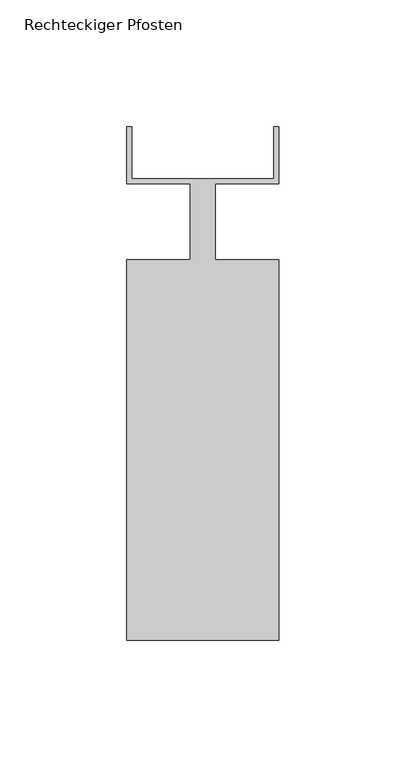
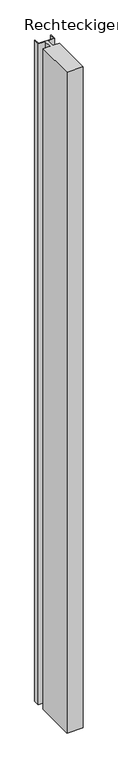
"""IFC4 building model written with IfcOpenShell, lengths in millimetres: member geometry, Rechteckiger Pfosten."""

from ifc_helpers import new_model, si_unit, frame, origin, place, context, project, spatial, polyline, outline, extrude, source, transform, mapped, element, save


def rechteckiger_pfosten_8d6bb975(model_context):
    return source(origin(), model_context, "Body", "SweptSolid", [
        extrude(outline(polyline([(28.0, 37.5), (30.0, 37.5), (30.0, 15.0), (5.0, 15.0), (5.0, -15.0), (30.0, -15.0), (30.0, -165.0), (-30.0, -165.0), (-30.0, -15.0), (-5.0, -15.0), (-5.0, 15.0), (-30.0, 15.0), (-30.0, 37.5), (-28.0, 37.5), (-28.0, 17.0), (28.0, 17.0), (28.0, 37.5)])), frame((0.0, 0.0, -2544.9999997), z_axis=(0.0, 0.0, 1.0), x_axis=(1.0, 0.0, 0.0)), (0.0, 0.0, 1.0), 2544.9999997),
    ])


if __name__ == "__main__":
    model = new_model("IFC4")
    model_context = context("Model", 3, world=origin())
    ifc_project = project(units=[si_unit("LENGTHUNIT", "METRE", prefix="MILLI")], contexts=[model_context])
    site = spatial("IfcSite", under=ifc_project)
    building = spatial("IfcBuilding", under=site)
    placement = place(None, origin())
    rechteckiger_pfosten_shape = rechteckiger_pfosten_8d6bb975(model_context)
    element("IfcMember", 1, ObjectType="Rechteckiger Pfosten", at=placement, inside=building, context=model_context, shape_type="MappedRepresentation", body=[
        mapped(rechteckiger_pfosten_shape, transform((0.0, 0.0, 0.0), x_axis=(1.0, 0.0, 0.0), y_axis=(0.0, 1.0, 0.0), z_axis=(0.0, 0.0, 1.0))),
    ])
    save(model, "model.ifc")
